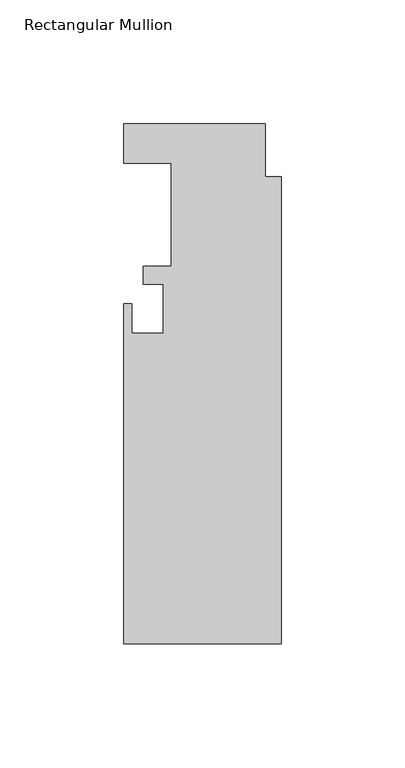
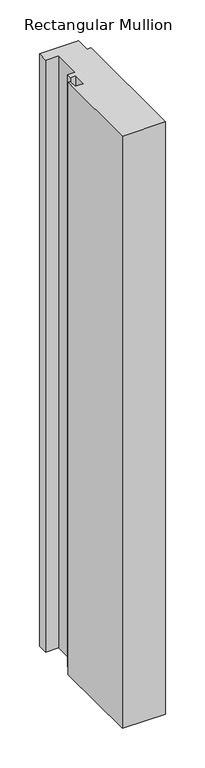
"""IFC4 building model written with IfcOpenShell, lengths in millimetres: member geometry, Rectangular Mullion."""

from ifc_helpers import new_model, si_unit, frame, origin, place, context, project, spatial, polyline, outline, extrude, source, transform, mapped, element, save


def rectangular_mullion_ea7659c1(model_context):
    return source(origin(), model_context, "Body", "SweptSolid", [
        extrude(outline(polyline([(-63.5, 20.6756), (-6.35, 20.6756), (-6.35, -0.6096), (0.0, -0.6096), (0.0, -189.2554), (-63.5, -189.2554), (-63.5, -51.9176), (-60.325, -51.9176), (-60.325, -63.8302), (-47.625, -63.8302), (-47.625, -44.0182), (-55.5752, -44.0182), (-55.5752, -36.8554), (-44.45, -36.8554), (-44.45, 4.8006), (-63.5, 4.8006), (-63.5, 20.6756)])), frame((0.0, 0.0, -914.4), z_axis=(0.0, 0.0, 1.0), x_axis=(1.0, 0.0, 0.0)), (0.0, 0.0, 1.0), 914.4),
    ])


if __name__ == "__main__":
    model = new_model("IFC4")
    model_context = context("Model", 3, world=origin())
    ifc_project = project(units=[si_unit("LENGTHUNIT", "METRE", prefix="MILLI")], contexts=[model_context])
    site = spatial("IfcSite", under=ifc_project)
    building = spatial("IfcBuilding", under=site)
    placement = place(None, origin())
    rectangular_mullion_shape = rectangular_mullion_ea7659c1(model_context)
    element("IfcMember", 1, ObjectType="Rectangular Mullion", at=placement, inside=building, context=model_context, shape_type="MappedRepresentation", body=[
        mapped(rectangular_mullion_shape, transform((0.0, 0.0, 0.0), x_axis=(1.0, 0.0, 0.0), y_axis=(0.0, 1.0, 0.0), z_axis=(0.0, 0.0, 1.0))),
    ])
    save(model, "model.ifc")
